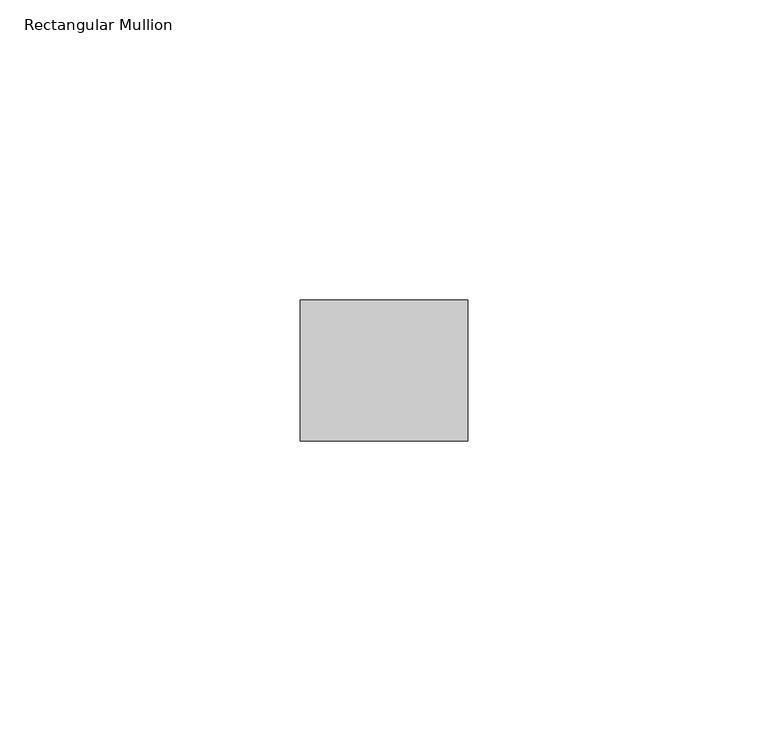
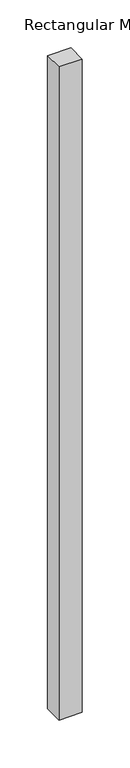
"""IFC4 building model written with IfcOpenShell, lengths in millimetres: member geometry, Rectangular Mullion."""

from ifc_helpers import new_model, si_unit, frame, origin, place, context, project, spatial, polyline, outline, extrude, source, transform, mapped, element, save


def rectangular_mullion_9d931241(model_context):
    return source(origin(), model_context, "Body", "SweptSolid", [
        extrude(outline(polyline([(0.0, -11.7474999), (-27.94, -11.7474999), (-27.94, 11.7474999), (0.0, 11.7474999), (0.0, -11.7474999)])), frame((0.0, 0.0, -831.2811022), z_axis=(0.0, 0.0, 1.0), x_axis=(1.0, 0.0, 0.0)), (0.0, 0.0, 1.0), 831.2811022),
    ])


if __name__ == "__main__":
    model = new_model("IFC4")
    model_context = context("Model", 3, world=origin())
    ifc_project = project(units=[si_unit("LENGTHUNIT", "METRE", prefix="MILLI")], contexts=[model_context])
    site = spatial("IfcSite", under=ifc_project)
    building = spatial("IfcBuilding", under=site)
    placement = place(None, origin())
    rectangular_mullion_shape = rectangular_mullion_9d931241(model_context)
    element("IfcMember", 1, ObjectType="Rectangular Mullion", at=placement, inside=building, context=model_context, shape_type="MappedRepresentation", body=[
        mapped(rectangular_mullion_shape, transform((0.0, 0.0, 0.0), x_axis=(1.0, 0.0, 0.0), y_axis=(0.0, 1.0, 0.0), z_axis=(0.0, 0.0, 1.0))),
    ])
    save(model, "model.ifc")
